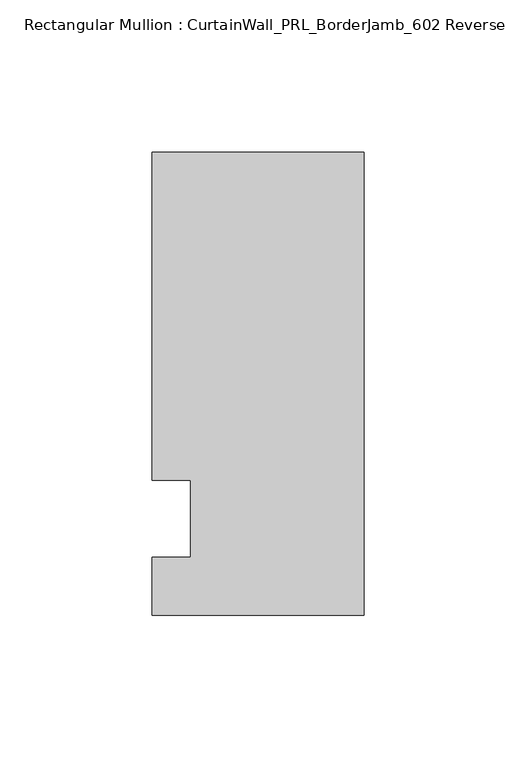
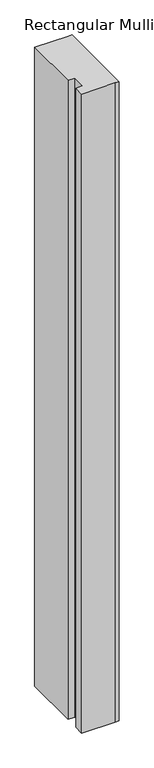
"""IFC4 building model written with IfcOpenShell, lengths in millimetres: member geometry, Rectangular Mullion : CurtainWall_PRL_BorderJamb_602 Reverse."""

from ifc_helpers import new_model, si_unit, frame, origin, place, context, project, spatial, polyline, outline, extrude, source, transform, mapped, element, save


def rectangular_mullion_curtainwall_prl_borderjamb_602_reverse_65f64bd7(model_context):
    return source(origin(), model_context, "Body", "SweptSolid", [
        extrude(outline(polyline([(-57.15, 12.7), (-69.85, 12.7), (-69.85, 120.65), (-6.35, 120.65), (0.0, 120.65), (0.0, -31.75), (-7.3958824, -31.75), (-69.85, -31.75), (-69.85, -12.7), (-57.15, -12.7), (-57.15, 12.7)])), frame((0.0, 0.0, -1263.65), z_axis=(0.0, 0.0, 1.0), x_axis=(1.0, 0.0, 0.0)), (0.0, 0.0, 1.0), 1263.65),
    ])


if __name__ == "__main__":
    model = new_model("IFC4")
    model_context = context("Model", 3, world=origin())
    ifc_project = project(units=[si_unit("LENGTHUNIT", "METRE", prefix="MILLI")], contexts=[model_context])
    site = spatial("IfcSite", under=ifc_project)
    building = spatial("IfcBuilding", under=site)
    placement = place(None, origin())
    rectangular_mullion_curtainwall_prl_borderjamb_602_reverse_shape = rectangular_mullion_curtainwall_prl_borderjamb_602_reverse_65f64bd7(model_context)
    element("IfcMember", 1, ObjectType="Rectangular Mullion : CurtainWall_PRL_BorderJamb_602 Reverse", at=placement, inside=building, context=model_context, shape_type="MappedRepresentation", body=[
        mapped(rectangular_mullion_curtainwall_prl_borderjamb_602_reverse_shape, transform((0.0, 0.0, 0.0), x_axis=(1.0, 0.0, 0.0), y_axis=(0.0, 1.0, 0.0), z_axis=(0.0, 0.0, 1.0))),
    ])
    save(model, "model.ifc")
